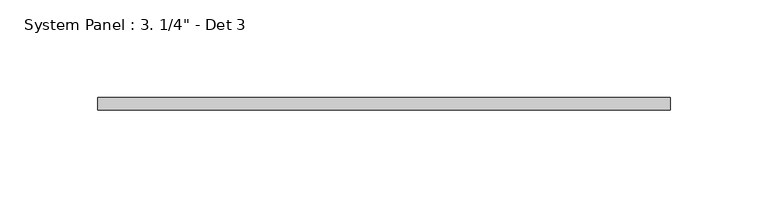
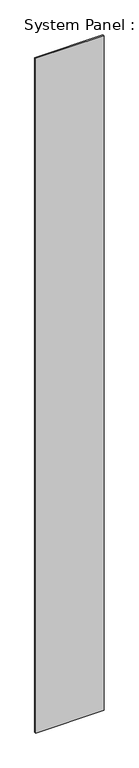
"""IFC4 building model written with IfcOpenShell, lengths in millimetres: plate geometry."""

import ifcopenshell
import ifcopenshell.guid

model = None  # the IFC model being written
_history = None  # IfcOwnerHistory: only IFC2X3 demands one
_inside = {}  # id of a spatial element -> (the spatial element, [elements in it])
_under = {}  # id of a project, library or spatial element -> (it, [spatial elements below it])
_declared = {}  # id of a project -> (the project, [libraries it declares])
_typed = {}  # id of a type object -> (the type object, [elements of that type])
_made_of = {}  # id of a material, layer set ... -> (it, [elements and type objects made of it])


def new_model(schema):
    """Start an empty IFC model of exactly this schema.

    Asked for "IFC4X3", IfcOpenShell would pick the latest addendum, in which some entities
    have other attributes; the version numbers below select the first issue.
    IFC2X3 requires an IfcOwnerHistory on every rooted entity: one is made here for all.
    """
    global model, _history
    if schema == "IFC4X3":
        model = ifcopenshell.file(schema_version=(4, 3, 0, 0))
    else:
        model = ifcopenshell.file(schema=schema)
    _inside.clear()
    _under.clear()
    _declared.clear()
    _typed.clear()
    _made_of.clear()
    _history = None
    if model.schema == "IFC2X3":
        org = make("IfcOrganization", Name="unknown")
        user = make(
            "IfcPersonAndOrganization",
            ThePerson=make("IfcPerson", FamilyName="unknown"),
            TheOrganization=org,
        )
        app = make(
            "IfcApplication",
            ApplicationDeveloper=org,
            Version="unknown",
            ApplicationFullName="unknown",
            ApplicationIdentifier="unknown",
        )
        _history = make(
            "IfcOwnerHistory",
            OwningUser=user,
            OwningApplication=app,
            ChangeAction="ADDED",
            CreationDate=0,
        )
    return model


def make(cls, **values):
    """One entity of the class cls with the attributes given. An attribute that is None is left unset."""
    return model.create_entity(
        cls, **{name: value for name, value in values.items() if value is not None}
    )


def rooted(cls, **values):
    """An entity with a GlobalId (a new one), such as an element, a storey or a relation."""
    return make(cls, GlobalId=ifcopenshell.guid.new(), OwnerHistory=_history, **values)


def si_unit(unit_type, name, prefix=None):
    """IfcSIUnit, for example si_unit("LENGTHUNIT", "METRE", prefix="MILLI")."""
    return make("IfcSIUnit", UnitType=unit_type, Prefix=prefix, Name=name)


def assignment(units):
    """IfcUnitAssignment: the units of a project."""
    return None if units is None else make("IfcUnitAssignment", Units=units)


def point(xyz):
    """IfcCartesianPoint."""
    return None if xyz is None else make("IfcCartesianPoint", Coordinates=xyz)


def direction(xyz):
    """IfcDirection."""
    return None if xyz is None else make("IfcDirection", DirectionRatios=xyz)


def frame(location, z_axis=None, x_axis=None):
    """IfcAxis2Placement3D, a coordinate frame: its origin and axes. An axis left out is left unset."""
    return make(
        "IfcAxis2Placement3D",
        Location=point(location),
        Axis=direction(z_axis),
        RefDirection=direction(x_axis),
    )


def origin():
    """The frame at (0, 0, 0) with its axes left unset."""
    return frame((0.0, 0.0, 0.0))


def origin_with_axes():
    """The frame at (0, 0, 0) with the z axis (0, 0, 1) and the x axis (1, 0, 0) written out."""
    return frame((0.0, 0.0, 0.0), z_axis=(0.0, 0.0, 1.0), x_axis=(1.0, 0.0, 0.0))


def place(relative_to, where):
    """IfcLocalPlacement: puts the frame where relative to a parent placement (None: the world)."""
    return make(
        "IfcLocalPlacement", PlacementRelTo=relative_to, RelativePlacement=where
    )


def context(
    kind, dimensions, precision=None, world=None, true_north=None, identifier=None
):
    """IfcGeometricRepresentationContext, for example the 3D "Model" context."""
    return make(
        "IfcGeometricRepresentationContext",
        ContextIdentifier=identifier,
        ContextType=kind,
        CoordinateSpaceDimension=dimensions,
        Precision=precision,
        WorldCoordinateSystem=world,
        TrueNorth=true_north,
    )


def project(units=None, contexts=None):
    """IfcProject with its units and contexts."""
    return rooted(
        "IfcProject",
        Name="project",
        RepresentationContexts=contexts,
        UnitsInContext=assignment(units),
    )


def spatial(cls, under=None, at=None, **own):
    """A site, building, storey or space (cls), placed at a placement, below another one or the project."""
    s = rooted(cls, ObjectPlacement=at, **own)
    if under is not None:
        _under.setdefault(under.id(), (under, []))[1].append(s)
    return s


def polyline(points):
    """IfcPolyline through the points."""
    return make("IfcPolyline", Points=[point(p) for p in points])


def outline(outer, holes=None, kind="AREA"):
    """IfcArbitraryClosedProfileDef: a profile drawn as a closed curve; with holes, ...WithVoids."""
    if holes is None:
        return make("IfcArbitraryClosedProfileDef", ProfileType=kind, OuterCurve=outer)
    return make(
        "IfcArbitraryProfileDefWithVoids",
        ProfileType=kind,
        OuterCurve=outer,
        InnerCurves=holes,
    )


def extrude(swept, where, along, depth):
    """IfcExtrudedAreaSolid: the profile swept, set in the frame where, extruded along a direction by depth."""
    return make(
        "IfcExtrudedAreaSolid",
        SweptArea=swept,
        Position=where,
        ExtrudedDirection=direction(along),
        Depth=depth,
    )


def shape(context_of_items, identifier, shape_type, items):
    """IfcShapeRepresentation: the items that make up one representation, for example the "Body"."""
    return make(
        "IfcShapeRepresentation",
        ContextOfItems=context_of_items,
        RepresentationIdentifier=identifier,
        RepresentationType=shape_type,
        Items=items,
    )


def source(mapping_origin, context_of_items, identifier, shape_type, items):
    """IfcRepresentationMap: a shape defined once, which mapped items show again and again."""
    return make(
        "IfcRepresentationMap",
        MappingOrigin=mapping_origin,
        MappedRepresentation=shape(context_of_items, identifier, shape_type, items),
    )


def transform(
    local_origin,
    x_axis=None,
    y_axis=None,
    z_axis=None,
    scale=None,
    scale2=None,
    scale3=None,
    uniform=True,
):
    """IfcCartesianTransformationOperator3D, or its non-uniform kind. x_axis, y_axis, z_axis: its Axis1, 2, 3."""
    if uniform:
        return make(
            "IfcCartesianTransformationOperator3D",
            Axis1=direction(x_axis),
            Axis2=direction(y_axis),
            LocalOrigin=point(local_origin),
            Scale=scale,
            Axis3=direction(z_axis),
        )
    return make(
        "IfcCartesianTransformationOperator3DnonUniform",
        Axis1=direction(x_axis),
        Axis2=direction(y_axis),
        LocalOrigin=point(local_origin),
        Scale=scale,
        Axis3=direction(z_axis),
        Scale2=scale2,
        Scale3=scale3,
    )


def mapped(mapping_source, mapping_target):
    """IfcMappedItem: shows the shape of a source again, moved by a transform."""
    return make(
        "IfcMappedItem", MappingSource=mapping_source, MappingTarget=mapping_target
    )


def made_of(thing, what):
    """Note that an element or type object is made of a material, layer set ...; save() writes the relation."""
    if what is not None:
        _made_of.setdefault(what.id(), (what, []))[1].append(thing)
    return thing


def element(
    cls,
    number,
    at=None,
    inside=None,
    cuts=None,
    type_object=None,
    material=None,
    context=None,
    identifier="Body",
    shape_type=None,
    held_by="IfcProductDefinitionShape",
    body=None,
    shapes=None,
    **own,
):
    """One element of the class cls, such as IfcWall. Its Tag is "e" and its number.

    at: its placement. inside: the storey or other place that contains it. cuts: it is an
    opening in that element (IfcRelVoidsElement). A single representation is given by context,
    identifier, shape_type and body (its items); several are given by shapes. held_by: the class
    of the entity that holds the representations. save() writes the other relations.
    """
    e = rooted(cls, Tag="e%d" % number, ObjectPlacement=at, **own)
    if body is not None:
        shapes = [shape(context, identifier, shape_type, body)]
    if shapes is not None:
        e.Representation = make(held_by, Representations=shapes)
    if inside is not None:
        _inside.setdefault(inside.id(), (inside, []))[1].append(e)
    if cuts is not None:
        rooted(
            "IfcRelVoidsElement", RelatingBuildingElement=cuts, RelatedOpeningElement=e
        )
    if type_object is not None:
        _typed.setdefault(type_object.id(), (type_object, []))[1].append(e)
    return made_of(e, material)


def aggregate(whole, parts):
    """IfcRelAggregates: a whole, such as a stair, and the parts it consists of."""
    return rooted("IfcRelAggregates", RelatingObject=whole, RelatedObjects=parts)


def save(model, path):
    """Write the relations noted so far, then the file.

    IfcRelAggregates (storeys below a building ...), IfcRelContainedInSpatialStructure (elements
    in a storey), IfcRelDefinesByType, IfcRelAssociatesMaterial and IfcRelDeclares: one each for
    every whole, place, type object, material and project.
    """
    for whole, parts in _under.values():
        aggregate(whole, parts)
    for where, things in _inside.values():
        rooted(
            "IfcRelContainedInSpatialStructure",
            RelatedElements=things,
            RelatingStructure=where,
        )
    for kind, things in _typed.values():
        rooted("IfcRelDefinesByType", RelatedObjects=things, RelatingType=kind)
    for what, things in _made_of.values():
        rooted("IfcRelAssociatesMaterial", RelatedObjects=things, RelatingMaterial=what)
    for by, libraries in _declared.values():
        rooted("IfcRelDeclares", RelatingContext=by, RelatedDefinitions=libraries)
    model.write(path)


def plate_9ef7dfb7(model_context):
    return source(origin(), model_context, "Body", "SweptSolid", [
        extrude(outline(polyline([(146.05, -6.35), (-146.05, -6.35), (-146.05, 0.0), (146.05, 0.0), (146.05, -6.35)])), origin_with_axes(), (0.0, 0.0, 1.0), 3048.0),
    ])


if __name__ == "__main__":
    model = new_model("IFC4")
    model_context = context("Model", 3, world=origin())
    ifc_project = project(units=[si_unit("LENGTHUNIT", "METRE", prefix="MILLI")], contexts=[model_context])
    site = spatial("IfcSite", under=ifc_project)
    building = spatial("IfcBuilding", under=site)
    placement = place(None, origin())
    plate_shape = plate_9ef7dfb7(model_context)
    element("IfcPlate", 1, ObjectType="System Panel : 3. 1/4\" - Det 3", at=placement, inside=building, context=model_context, shape_type="MappedRepresentation", body=[
        mapped(plate_shape, transform((0.0, 0.0, 0.0), x_axis=(1.0, 0.0, 0.0), y_axis=(0.0, 1.0, 0.0), z_axis=(0.0, 0.0, 1.0))),
    ])
    save(model, "model.ifc")
